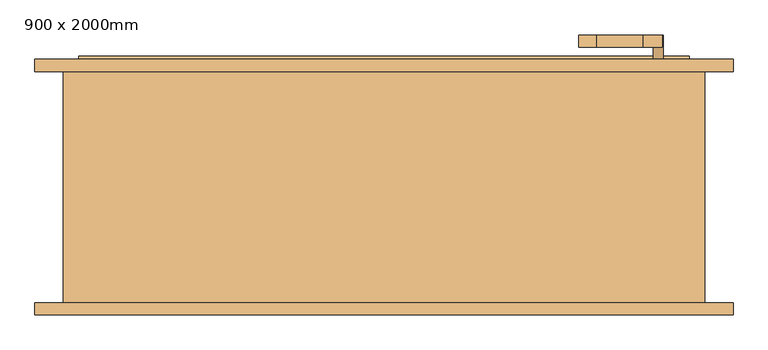
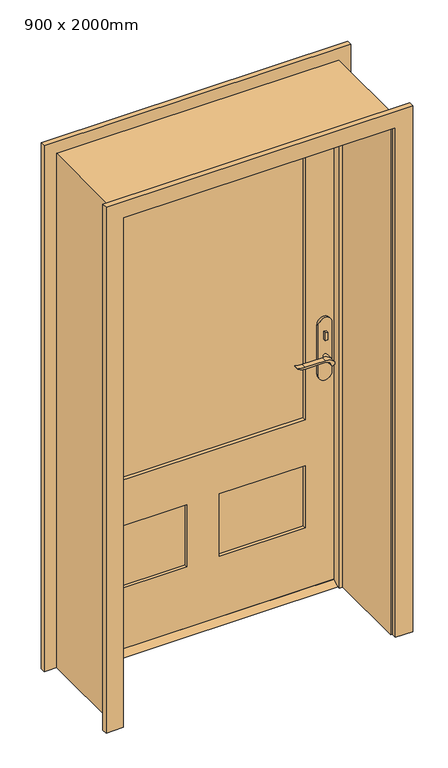
"""IFC4 building model written with IfcOpenShell, lengths in millimetres: door geometry, 900 x 2000mm."""

from ifc_helpers import new_model, si_unit, point, frame, frame_2d, origin, place, context, project, spatial, polyline, circle_curve, trimmed, segment, composite_curve, outline, extrude, faceted_brep, source, transform, mapped, element, save


def door_900_x_2000mm_e1163ebc(model_context):
    return source(origin(), model_context, "Body", "SolidModel", [
        extrude(outline(polyline([(151.325, 15.0), (186.325, 15.0), (211.725, 0.0), (125.925, 0.0), (151.325, 15.0)])), frame((-500.0, 0.0, 0.0), z_axis=(1.0, 0.0, 0.0), x_axis=(0.0, 1.0, 0.0)), (0.0, 0.0, 1.0), 1000.0),
        extrude(outline(polyline([(453.8, 131.325), (443.8, 131.325), (443.8, 141.325), (453.8, 141.325), (453.8, 131.325)])), frame((0.0, 0.0, 981.9), z_axis=(0.0, 0.0, 1.0), x_axis=(1.0, 0.0, 0.0)), (0.0, 0.0, 1.0), 30.0),
        extrude(outline(composite_curve([segment(trimmed(circle_curve(frame_2d((996.9, 448.8)), 8.0), [point((996.9, 440.8))], [point((996.9, 456.8))], False, "CARTESIAN"), True, "CONTINUOUS"), segment(trimmed(circle_curve(frame_2d((996.9, 448.8)), 8.0), [point((996.9, 456.8))], [point((996.9, 440.8))], False, "CARTESIAN"), True, "CONTINUOUS")], self_intersect=False)), frame((0.0, 196.325, 0.0), z_axis=(0.0, 1.0, 0.0), x_axis=(0.0, 0.0, 1.0)), (0.0, 0.0, 1.0), 10.0),
        extrude(outline(composite_curve([segment(trimmed(circle_curve(frame_2d((897.1555521, 425.1324871)), 37.2832219), [point((919.0523287, 455.3081363))], [point((934.4, 423.4325667))], False, "CARTESIAN"), True, "CONTINUOUS"), segment(polyline([(934.4, 423.4325667), (934.4, 347.1564091)]), True, "CONTINUOUS"), segment(trimmed(circle_curve(frame_2d((1017.6850638, 347.2227909)), 83.2850902), [point((934.4, 347.1564091))], [point((939.4, 318.8))], True, "CARTESIAN"), True, "CONTINUOUS"), segment(polyline([(939.4, 318.8), (936.6135558, 318.8)]), True, "CONTINUOUS"), segment(trimmed(circle_curve(frame_2d((986.6709207, 350.7396612)), 59.3791355), [point((936.6135558, 318.8))], [point((927.4, 347.1564091))], False, "CARTESIAN"), True, "CONTINUOUS"), segment(polyline([(927.4, 347.1564091), (927.4, 423.4138099)]), True, "CONTINUOUS"), segment(trimmed(circle_curve(frame_2d((909.2738613, 423.4138099)), 18.1261387), [point((927.4, 423.4138099))], [point((914.4, 440.8))], True, "CARTESIAN"), True, "CONTINUOUS"), segment(trimmed(circle_curve(frame_2d((914.4, 448.8)), 8.0), [point((914.4, 440.8))], [point((919.0523287, 455.3081363))], False, "CARTESIAN"), True, "CONTINUOUS")], self_intersect=False)), frame((0.0, 91.325, 0.0), z_axis=(0.0, 1.0, 0.0), x_axis=(0.0, 0.0, 1.0)), (0.0, 0.0, 1.0), 20.0),
        extrude(outline(composite_curve([segment(trimmed(circle_curve(frame_2d((914.4, 448.8)), 8.0), [point((914.3999903, 440.8))], [point((919.0523287, 455.3081363))], False, "CARTESIAN"), True, "CONTINUOUS"), segment(trimmed(circle_curve(frame_2d((897.1555521, 425.1324871)), 37.2832219), [point((919.0523287, 455.3081363))], [point((934.4, 423.4325667))], False, "CARTESIAN"), True, "CONTINUOUS"), segment(polyline([(934.4, 423.4325667), (934.4, 347.1564091)]), True, "CONTINUOUS"), segment(trimmed(circle_curve(frame_2d((1017.6850638, 347.2227909)), 83.2850902), [point((934.4, 347.1564091))], [point((939.4, 318.8))], True, "CARTESIAN"), True, "CONTINUOUS"), segment(polyline([(939.4, 318.8), (936.6135558, 318.8)]), True, "CONTINUOUS"), segment(trimmed(circle_curve(frame_2d((986.6709207, 350.7396612)), 59.3791355), [point((936.6135558, 318.8))], [point((927.4, 347.1564091))], False, "CARTESIAN"), True, "CONTINUOUS"), segment(polyline([(927.4, 347.1564091), (927.4, 423.4138122)]), True, "CONTINUOUS"), segment(trimmed(circle_curve(frame_2d((909.2738682, 423.4138122)), 18.1261318), [point((927.4, 423.4138122))], [point((914.3999903, 440.8))], True, "CARTESIAN"), True, "CONTINUOUS")], self_intersect=False)), frame((0.0, 226.325, 0.0), z_axis=(0.0, 1.0, 0.0), x_axis=(0.0, 0.0, 1.0)), (0.0, 0.0, 1.0), 20.0),
        extrude(outline(composite_curve([segment(trimmed(circle_curve(frame_2d((914.4, 448.8)), 8.0), [point((914.4, 440.8))], [point((914.4, 456.8))], False, "CARTESIAN"), True, "CONTINUOUS"), segment(trimmed(circle_curve(frame_2d((914.4, 448.8)), 8.0), [point((914.4, 456.8))], [point((914.4, 440.8))], False, "CARTESIAN"), True, "CONTINUOUS")], self_intersect=False)), frame((0.0, 111.325, 0.0), z_axis=(0.0, 1.0, 0.0), x_axis=(0.0, 0.0, 1.0)), (0.0, 0.0, 1.0), 30.0),
        extrude(outline(composite_curve([segment(trimmed(circle_curve(frame_2d((914.4, 448.8)), 8.0), [point((914.4, 440.8))], [point((914.4, 456.8))], False, "CARTESIAN"), True, "CONTINUOUS"), segment(trimmed(circle_curve(frame_2d((914.4, 448.8)), 8.0), [point((914.4, 456.8))], [point((914.4, 440.8))], False, "CARTESIAN"), True, "CONTINUOUS")], self_intersect=False)), frame((0.0, 196.325, 0.0), z_axis=(0.0, 1.0, 0.0), x_axis=(0.0, 0.0, 1.0)), (0.0, 0.0, 1.0), 30.0),
        extrude(outline(composite_curve([segment(polyline([(844.4, 473.8), (1039.4, 473.8)]), True, "CONTINUOUS"), segment(trimmed(circle_curve(frame_2d((1039.4, 448.8)), 25.0), [point((1039.4, 473.8))], [point((1039.4, 423.8))], False, "CARTESIAN"), True, "CONTINUOUS"), segment(polyline([(1039.4, 423.8), (844.4, 423.8)]), True, "CONTINUOUS"), segment(trimmed(circle_curve(frame_2d((844.4, 448.8)), 25.0), [point((844.4, 423.8))], [point((844.4, 473.8))], False, "CARTESIAN"), True, "CONTINUOUS")], self_intersect=False)), frame((0.0, 141.325, 0.0), z_axis=(0.0, 1.0, 0.0), x_axis=(0.0, 0.0, 1.0)), (0.0, 0.0, 1.0), 10.0),
        extrude(outline(composite_curve([segment(polyline([(844.4, 473.8), (1039.4, 473.8)]), True, "CONTINUOUS"), segment(trimmed(circle_curve(frame_2d((1039.4, 448.8)), 25.0), [point((1039.4, 473.8))], [point((1039.4, 423.8))], False, "CARTESIAN"), True, "CONTINUOUS"), segment(polyline([(1039.4, 423.8), (844.4, 423.8)]), True, "CONTINUOUS"), segment(trimmed(circle_curve(frame_2d((844.4, 448.8)), 25.0), [point((844.4, 423.8))], [point((844.4, 473.8))], False, "CARTESIAN"), True, "CONTINUOUS")], self_intersect=False)), frame((0.0, 186.325, 0.0), z_axis=(0.0, 1.0, 0.0), x_axis=(0.0, 0.0, 1.0)), (0.0, 0.0, 1.0), 10.0),
        extrude(outline(polyline([(2000.0, -500.0), (15.0, -500.0), (15.0, 500.0), (2000.0, 500.0), (2000.0, -500.0)]), holes=[composite_curve([segment(polyline([(680.0, -380.0), (1752.35, -380.0)]), True, "CONTINUOUS"), segment(trimmed(circle_curve(frame_2d((1247.346063, 0.0)), 632.003937), [point((1752.35, -380.0))], [point((1752.35, 380.0))], True, "CARTESIAN"), True, "CONTINUOUS"), segment(polyline([(1752.35, 380.0), (680.0, 380.0), (680.0, -380.0)]), True, "CONTINUOUS")], self_intersect=False), polyline([(500.0, -60.325), (255.0, -60.325), (255.0, -380.0), (500.0, -380.0), (500.0, -60.325)]), polyline([(500.0, 380.0), (255.0, 380.0), (255.0, 60.325), (500.0, 60.325), (500.0, 380.0)])]), frame((0.0, 151.325, 0.0), z_axis=(0.0, 1.0, 0.0), x_axis=(0.0, 0.0, 1.0)), (0.0, 0.0, 1.0), 35.0),
        faceted_brep([(525.0, 186.325, 0.0), (525.0, -192.675, 0.0), (500.0, -192.675, 0.0), (500.0, 116.4, 0.0), (487.3, 116.4, 0.0), (487.3, 151.325, 0.0), (500.0, 151.325, 0.0), (500.0, 186.325, 0.0), (525.0, 186.325, 2025.0), (525.0, -192.675, 2025.0), (-525.0, -192.675, 2025.0), (-525.0, -192.675, 0.0), (-500.0, -192.675, 0.0), (-500.0, -192.675, 2000.0), (500.0, -192.675, 2000.0), (500.0, 116.4, 2000.0), (-500.0, 116.4, 2000.0), (-500.0, 116.4, 0.0), (-487.3, 116.4, 0.0), (-487.3, 116.4, 1987.3), (487.3, 116.4, 1987.3), (487.3, 151.325, 1987.3), (-487.3, 151.325, 1987.3), (-487.3, 151.325, 0.0), (-500.0, 151.325, 0.0), (-500.0, 151.325, 2000.0), (500.0, 151.325, 2000.0), (500.0, 186.325, 2000.0), (-500.0, 186.325, 2000.0), (-500.0, 186.325, 0.0), (-525.0, 186.325, 0.0), (-525.0, 186.325, 2025.0)], [[[0, 1, 2, 3, 4, 5, 6, 7]], [[1, 0, 8, 9]], [[2, 1, 9, 10, 11, 12, 13, 14]], [[3, 2, 14, 15]], [[4, 3, 15, 16, 17, 18, 19, 20]], [[5, 4, 20, 21]], [[6, 5, 21, 22, 23, 24, 25, 26]], [[7, 6, 26, 27]], [[0, 7, 27, 28, 29, 30, 31, 8]], [[9, 8, 31, 10]], [[15, 14, 13, 16]], [[21, 20, 19, 22]], [[27, 26, 25, 28]], [[30, 29, 24, 23, 18, 17, 12, 11]], [[10, 31, 30, 11]], [[16, 13, 12, 17]], [[22, 19, 18, 23]], [[28, 25, 24, 29]]]),
        extrude(outline(polyline([(-60.325, 162.9916667), (-380.0, 162.9916667), (-380.0, 174.6583333), (-60.325, 174.6583333), (-60.325, 162.9916667)])), frame((0.0, 0.0, 256.3), z_axis=(0.0, 0.0, 1.0), x_axis=(1.0, 0.0, 0.0)), (0.0, 0.0, 1.0), 243.7),
        extrude(outline(polyline([(380.0, 162.9916667), (60.325, 162.9916667), (60.325, 174.6583333), (380.0, 174.6583333), (380.0, 162.9916667)])), frame((0.0, 0.0, 255.0), z_axis=(0.0, 0.0, 1.0), x_axis=(1.0, 0.0, 0.0)), (0.0, 0.0, 1.0), 245.0),
        extrude(outline(composite_curve([segment(polyline([(680.0, -380.0), (680.0, 380.0), (1752.35, 380.0)]), True, "CONTINUOUS"), segment(trimmed(circle_curve(frame_2d((1247.346063, 0.0)), 632.003937), [point((1752.35, 380.0))], [point((1752.35, -380.0))], False, "CARTESIAN"), True, "CONTINUOUS"), segment(polyline([(1752.35, -380.0), (680.0, -380.0)]), True, "CONTINUOUS")], self_intersect=False)), frame((0.0, 165.325, 0.0), z_axis=(0.0, 1.0, 0.0), x_axis=(0.0, 0.0, 1.0)), (0.0, 0.0, 1.0), 7.0),
        extrude(outline(polyline([(0.0, -571.35), (0.0, -506.35), (2006.35, -506.35), (2006.35, 506.35), (0.0, 506.35), (0.0, 571.35), (2071.35, 571.35), (2071.35, -571.35), (0.0, -571.35)])), frame((0.0, -212.675, 0.0), z_axis=(0.0, 1.0, 0.0), x_axis=(0.0, 0.0, 1.0)), (0.0, 0.0, 1.0), 20.0),
        extrude(outline(polyline([(0.0, -571.35), (0.0, -506.35), (2006.35, -506.35), (2006.35, 506.35), (0.0, 506.35), (0.0, 571.35), (2071.35, 571.35), (2071.35, -571.35), (0.0, -571.35)])), frame((0.0, 186.325, 0.0), z_axis=(0.0, 1.0, 0.0), x_axis=(0.0, 0.0, 1.0)), (0.0, 0.0, 1.0), 20.0),
    ])


if __name__ == "__main__":
    model = new_model("IFC4")
    model_context = context("Model", 3, world=origin())
    ifc_project = project(units=[si_unit("LENGTHUNIT", "METRE", prefix="MILLI")], contexts=[model_context])
    site = spatial("IfcSite", under=ifc_project)
    building = spatial("IfcBuilding", under=site)
    placement = place(None, origin())
    door_900_x_2000mm_shape = door_900_x_2000mm_e1163ebc(model_context)
    element("IfcDoor", 1, ObjectType="900 x 2000mm", at=placement, inside=building, context=model_context, shape_type="MappedRepresentation", body=[
        mapped(door_900_x_2000mm_shape, transform((0.0, 0.0, 0.0), x_axis=(1.0, 0.0, 0.0), y_axis=(0.0, 1.0, 0.0), z_axis=(0.0, 0.0, 1.0))),
    ])
    save(model, "model.ifc")
